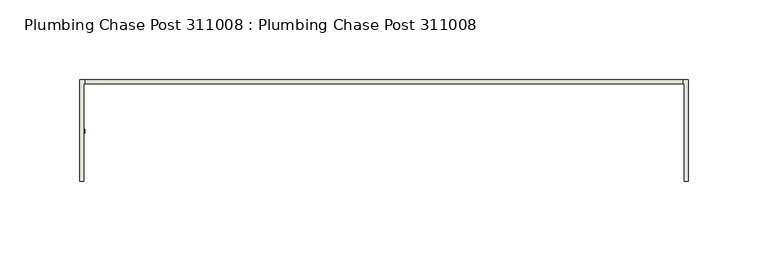
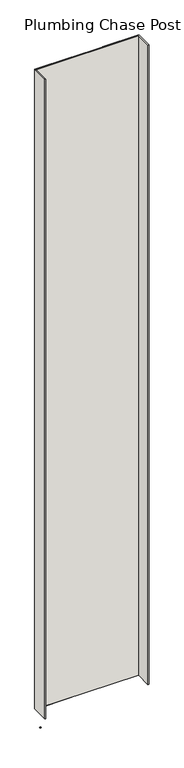
"""IFC4 building model written with IfcOpenShell, lengths in millimetres: wall geometry, Plumbing Chase Post 311008 : Plumbing Chase Post 311008."""

from ifc_helpers import new_model, si_unit, frame, origin, place, context, project, spatial, polyline, outline, extrude, source, transform, mapped, element, save


def plumbing_chase_post_311008_plumbing_chase_post_311008_eb27957f(model_context):
    return source(origin(), model_context, "Body", "SweptSolid", [
        extrude(outline(polyline([(68971.255504, -53335.9245954), (68968.715504, -53335.9245954), (68968.715504, -53333.3845954), (68971.255504, -53333.3845954), (68971.255504, -53335.9245954)])), frame((0.0, 0.0, 4419.6), z_axis=(0.0, 0.0, 1.0), x_axis=(1.0, 0.0, 0.0)), (0.0, 0.0, 1.0), 2.54),
        extrude(outline(polyline([(68971.4117648, -53302.6627366), (69347.0291492, -53302.6627366), (69347.0291492, -53305.329254), (68971.4117648, -53305.329254), (68971.4117648, -53302.6627366)])), frame((0.0, 0.0, 4474.8958), z_axis=(0.0, 0.0, 1.0), x_axis=(1.0, 0.0, 0.0)), (0.0, 0.0, 1.0), 2481.1482254),
        extrude(outline(polyline([(68971.4117648, -53302.6627366), (69347.0291492, -53302.6627366), (69347.0291492, -53305.329254), (68971.4117648, -53305.329254), (68971.4117648, -53302.6627366)])), frame((0.0, 0.0, 4474.8958), z_axis=(0.0, 0.0, 1.0), x_axis=(1.0, 0.0, 0.0)), (0.0, 0.0, 1.0), 2481.1482254),
        extrude(outline(polyline([(68967.9577204, -53302.6627366), (69101.3077204, -53302.6627366), (69101.3077204, -53305.329254), (68970.6242124, -53305.329254), (68970.6242124, -53366.6712446), (68967.9577204, -53366.6712446), (68967.9577204, -53302.6627366)])), frame((0.0, 0.0, 4474.8958), z_axis=(0.0, 0.0, 1.0), x_axis=(1.0, 0.0, 0.0)), (0.0, 0.0, 1.0), 2481.1482254),
        extrude(outline(polyline([(68967.9577204, -53302.6627366), (69101.3077204, -53302.6627366), (69101.3077204, -53305.329254), (68970.6242124, -53305.329254), (68970.6242124, -53366.6712446), (68967.9577204, -53366.6712446), (68967.9577204, -53302.6627366)])), frame((0.0, 0.0, 4474.8958), z_axis=(0.0, 0.0, 1.0), x_axis=(1.0, 0.0, 0.0)), (0.0, 0.0, 1.0), 2481.1482254),
        extrude(outline(polyline([(69217.1084032, -53305.329254), (69217.1084032, -53302.6627366), (69350.4584032, -53302.6627366), (69350.4584032, -53366.6712446), (69347.7918858, -53366.6712446), (69347.8167016, -53305.329254), (69217.1084032, -53305.329254)])), frame((0.0, 0.0, 4474.8958), z_axis=(0.0, 0.0, 1.0), x_axis=(1.0, 0.0, 0.0)), (0.0, 0.0, 1.0), 2481.1482254),
        extrude(outline(polyline([(69217.1084032, -53305.329254), (69217.1084032, -53302.6627366), (69350.4584032, -53302.6627366), (69350.4584032, -53366.6712446), (69347.7918858, -53366.6712446), (69347.8167016, -53305.329254), (69217.1084032, -53305.329254)])), frame((0.0, 0.0, 4474.8958), z_axis=(0.0, 0.0, 1.0), x_axis=(1.0, 0.0, 0.0)), (0.0, 0.0, 1.0), 2481.1482254),
    ])


if __name__ == "__main__":
    model = new_model("IFC4")
    model_context = context("Model", 3, world=origin())
    ifc_project = project(units=[si_unit("LENGTHUNIT", "METRE", prefix="MILLI")], contexts=[model_context])
    site = spatial("IfcSite", under=ifc_project)
    building = spatial("IfcBuilding", under=site)
    placement = place(None, origin())
    plumbing_chase_post_311008_plumbing_chase_post_311008_shape = plumbing_chase_post_311008_plumbing_chase_post_311008_eb27957f(model_context)
    element("IfcWall", 1, ObjectType="Plumbing Chase Post 311008 : Plumbing Chase Post 311008", at=placement, inside=building, context=model_context, shape_type="MappedRepresentation", body=[
        mapped(plumbing_chase_post_311008_plumbing_chase_post_311008_shape, transform((0.0, 0.0, 0.0), x_axis=(1.0, 0.0, 0.0), y_axis=(0.0, 1.0, 0.0), z_axis=(0.0, 0.0, 1.0))),
    ])
    save(model, "model.ifc")
